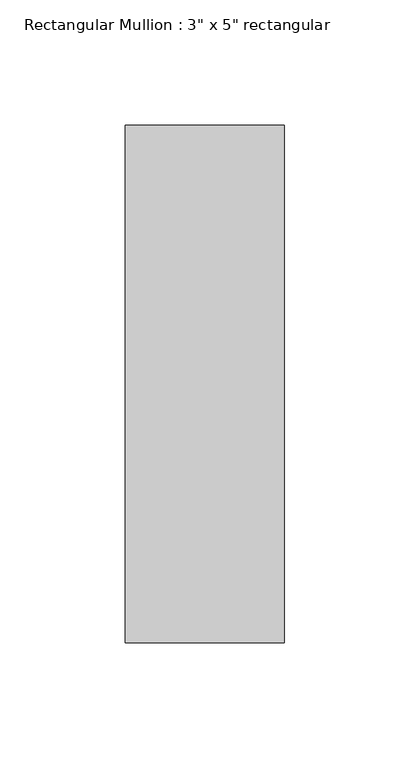
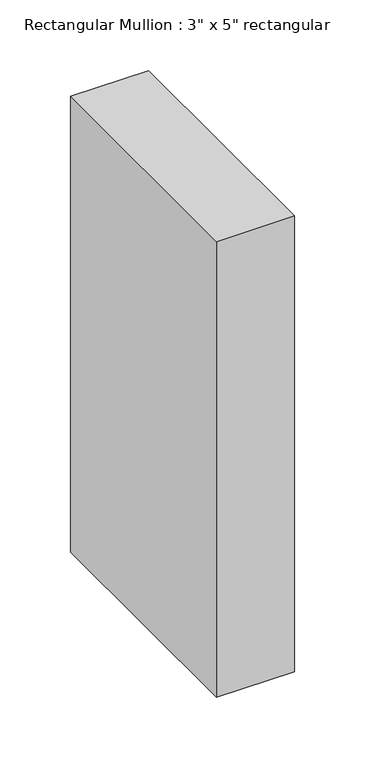
"""IFC4 building model written with IfcOpenShell, lengths in millimetres: member geometry."""

import ifcopenshell
import ifcopenshell.guid

model = None  # the IFC model being written
_history = None  # IfcOwnerHistory: only IFC2X3 demands one
_inside = {}  # id of a spatial element -> (the spatial element, [elements in it])
_under = {}  # id of a project, library or spatial element -> (it, [spatial elements below it])
_declared = {}  # id of a project -> (the project, [libraries it declares])
_typed = {}  # id of a type object -> (the type object, [elements of that type])
_made_of = {}  # id of a material, layer set ... -> (it, [elements and type objects made of it])


def new_model(schema):
    """Start an empty IFC model of exactly this schema.

    Asked for "IFC4X3", IfcOpenShell would pick the latest addendum, in which some entities
    have other attributes; the version numbers below select the first issue.
    IFC2X3 requires an IfcOwnerHistory on every rooted entity: one is made here for all.
    """
    global model, _history
    if schema == "IFC4X3":
        model = ifcopenshell.file(schema_version=(4, 3, 0, 0))
    else:
        model = ifcopenshell.file(schema=schema)
    _inside.clear()
    _under.clear()
    _declared.clear()
    _typed.clear()
    _made_of.clear()
    _history = None
    if model.schema == "IFC2X3":
        org = make("IfcOrganization", Name="unknown")
        user = make(
            "IfcPersonAndOrganization",
            ThePerson=make("IfcPerson", FamilyName="unknown"),
            TheOrganization=org,
        )
        app = make(
            "IfcApplication",
            ApplicationDeveloper=org,
            Version="unknown",
            ApplicationFullName="unknown",
            ApplicationIdentifier="unknown",
        )
        _history = make(
            "IfcOwnerHistory",
            OwningUser=user,
            OwningApplication=app,
            ChangeAction="ADDED",
            CreationDate=0,
        )
    return model


def make(cls, **values):
    """One entity of the class cls with the attributes given. An attribute that is None is left unset."""
    return model.create_entity(
        cls, **{name: value for name, value in values.items() if value is not None}
    )


def rooted(cls, **values):
    """An entity with a GlobalId (a new one), such as an element, a storey or a relation."""
    return make(cls, GlobalId=ifcopenshell.guid.new(), OwnerHistory=_history, **values)


def si_unit(unit_type, name, prefix=None):
    """IfcSIUnit, for example si_unit("LENGTHUNIT", "METRE", prefix="MILLI")."""
    return make("IfcSIUnit", UnitType=unit_type, Prefix=prefix, Name=name)


def assignment(units):
    """IfcUnitAssignment: the units of a project."""
    return None if units is None else make("IfcUnitAssignment", Units=units)


def point(xyz):
    """IfcCartesianPoint."""
    return None if xyz is None else make("IfcCartesianPoint", Coordinates=xyz)


def direction(xyz):
    """IfcDirection."""
    return None if xyz is None else make("IfcDirection", DirectionRatios=xyz)


def frame(location, z_axis=None, x_axis=None):
    """IfcAxis2Placement3D, a coordinate frame: its origin and axes. An axis left out is left unset."""
    return make(
        "IfcAxis2Placement3D",
        Location=point(location),
        Axis=direction(z_axis),
        RefDirection=direction(x_axis),
    )


def origin():
    """The frame at (0, 0, 0) with its axes left unset."""
    return frame((0.0, 0.0, 0.0))


def place(relative_to, where):
    """IfcLocalPlacement: puts the frame where relative to a parent placement (None: the world)."""
    return make(
        "IfcLocalPlacement", PlacementRelTo=relative_to, RelativePlacement=where
    )


def context(
    kind, dimensions, precision=None, world=None, true_north=None, identifier=None
):
    """IfcGeometricRepresentationContext, for example the 3D "Model" context."""
    return make(
        "IfcGeometricRepresentationContext",
        ContextIdentifier=identifier,
        ContextType=kind,
        CoordinateSpaceDimension=dimensions,
        Precision=precision,
        WorldCoordinateSystem=world,
        TrueNorth=true_north,
    )


def project(units=None, contexts=None):
    """IfcProject with its units and contexts."""
    return rooted(
        "IfcProject",
        Name="project",
        RepresentationContexts=contexts,
        UnitsInContext=assignment(units),
    )


def spatial(cls, under=None, at=None, **own):
    """A site, building, storey or space (cls), placed at a placement, below another one or the project."""
    s = rooted(cls, ObjectPlacement=at, **own)
    if under is not None:
        _under.setdefault(under.id(), (under, []))[1].append(s)
    return s


def polyline(points):
    """IfcPolyline through the points."""
    return make("IfcPolyline", Points=[point(p) for p in points])


def outline(outer, holes=None, kind="AREA"):
    """IfcArbitraryClosedProfileDef: a profile drawn as a closed curve; with holes, ...WithVoids."""
    if holes is None:
        return make("IfcArbitraryClosedProfileDef", ProfileType=kind, OuterCurve=outer)
    return make(
        "IfcArbitraryProfileDefWithVoids",
        ProfileType=kind,
        OuterCurve=outer,
        InnerCurves=holes,
    )


def extrude(swept, where, along, depth):
    """IfcExtrudedAreaSolid: the profile swept, set in the frame where, extruded along a direction by depth."""
    return make(
        "IfcExtrudedAreaSolid",
        SweptArea=swept,
        Position=where,
        ExtrudedDirection=direction(along),
        Depth=depth,
    )


def shape(context_of_items, identifier, shape_type, items):
    """IfcShapeRepresentation: the items that make up one representation, for example the "Body"."""
    return make(
        "IfcShapeRepresentation",
        ContextOfItems=context_of_items,
        RepresentationIdentifier=identifier,
        RepresentationType=shape_type,
        Items=items,
    )


def source(mapping_origin, context_of_items, identifier, shape_type, items):
    """IfcRepresentationMap: a shape defined once, which mapped items show again and again."""
    return make(
        "IfcRepresentationMap",
        MappingOrigin=mapping_origin,
        MappedRepresentation=shape(context_of_items, identifier, shape_type, items),
    )


def transform(
    local_origin,
    x_axis=None,
    y_axis=None,
    z_axis=None,
    scale=None,
    scale2=None,
    scale3=None,
    uniform=True,
):
    """IfcCartesianTransformationOperator3D, or its non-uniform kind. x_axis, y_axis, z_axis: its Axis1, 2, 3."""
    if uniform:
        return make(
            "IfcCartesianTransformationOperator3D",
            Axis1=direction(x_axis),
            Axis2=direction(y_axis),
            LocalOrigin=point(local_origin),
            Scale=scale,
            Axis3=direction(z_axis),
        )
    return make(
        "IfcCartesianTransformationOperator3DnonUniform",
        Axis1=direction(x_axis),
        Axis2=direction(y_axis),
        LocalOrigin=point(local_origin),
        Scale=scale,
        Axis3=direction(z_axis),
        Scale2=scale2,
        Scale3=scale3,
    )


def mapped(mapping_source, mapping_target):
    """IfcMappedItem: shows the shape of a source again, moved by a transform."""
    return make(
        "IfcMappedItem", MappingSource=mapping_source, MappingTarget=mapping_target
    )


def made_of(thing, what):
    """Note that an element or type object is made of a material, layer set ...; save() writes the relation."""
    if what is not None:
        _made_of.setdefault(what.id(), (what, []))[1].append(thing)
    return thing


def element(
    cls,
    number,
    at=None,
    inside=None,
    cuts=None,
    type_object=None,
    material=None,
    context=None,
    identifier="Body",
    shape_type=None,
    held_by="IfcProductDefinitionShape",
    body=None,
    shapes=None,
    **own,
):
    """One element of the class cls, such as IfcWall. Its Tag is "e" and its number.

    at: its placement. inside: the storey or other place that contains it. cuts: it is an
    opening in that element (IfcRelVoidsElement). A single representation is given by context,
    identifier, shape_type and body (its items); several are given by shapes. held_by: the class
    of the entity that holds the representations. save() writes the other relations.
    """
    e = rooted(cls, Tag="e%d" % number, ObjectPlacement=at, **own)
    if body is not None:
        shapes = [shape(context, identifier, shape_type, body)]
    if shapes is not None:
        e.Representation = make(held_by, Representations=shapes)
    if inside is not None:
        _inside.setdefault(inside.id(), (inside, []))[1].append(e)
    if cuts is not None:
        rooted(
            "IfcRelVoidsElement", RelatingBuildingElement=cuts, RelatedOpeningElement=e
        )
    if type_object is not None:
        _typed.setdefault(type_object.id(), (type_object, []))[1].append(e)
    return made_of(e, material)


def aggregate(whole, parts):
    """IfcRelAggregates: a whole, such as a stair, and the parts it consists of."""
    return rooted("IfcRelAggregates", RelatingObject=whole, RelatedObjects=parts)


def save(model, path):
    """Write the relations noted so far, then the file.

    IfcRelAggregates (storeys below a building ...), IfcRelContainedInSpatialStructure (elements
    in a storey), IfcRelDefinesByType, IfcRelAssociatesMaterial and IfcRelDeclares: one each for
    every whole, place, type object, material and project.
    """
    for whole, parts in _under.values():
        aggregate(whole, parts)
    for where, things in _inside.values():
        rooted(
            "IfcRelContainedInSpatialStructure",
            RelatedElements=things,
            RelatingStructure=where,
        )
    for kind, things in _typed.values():
        rooted("IfcRelDefinesByType", RelatedObjects=things, RelatingType=kind)
    for what, things in _made_of.values():
        rooted("IfcRelAssociatesMaterial", RelatedObjects=things, RelatingMaterial=what)
    for by, libraries in _declared.values():
        rooted("IfcRelDeclares", RelatingContext=by, RelatedDefinitions=libraries)
    model.write(path)


def member_12eaef66(model_context):
    return source(origin(), model_context, "Body", "SweptSolid", [
        extrude(outline(polyline([(0.0, 90.551), (0.0, -115.951), (-63.5, -115.951), (-63.5, 90.551), (0.0, 90.551)])), frame((0.0, 0.0, -393.2), z_axis=(0.0, 0.0, 1.0), x_axis=(1.0, 0.0, 0.0)), (0.0, 0.0, 1.0), 393.2),
    ])


if __name__ == "__main__":
    model = new_model("IFC4")
    model_context = context("Model", 3, world=origin())
    ifc_project = project(units=[si_unit("LENGTHUNIT", "METRE", prefix="MILLI")], contexts=[model_context])
    site = spatial("IfcSite", under=ifc_project)
    building = spatial("IfcBuilding", under=site)
    placement = place(None, origin())
    member_shape = member_12eaef66(model_context)
    element("IfcMember", 1, ObjectType="Rectangular Mullion : 3\" x 5\" rectangular", at=placement, inside=building, context=model_context, shape_type="MappedRepresentation", body=[
        mapped(member_shape, transform((0.0, 0.0, 0.0), x_axis=(1.0, 0.0, 0.0), y_axis=(0.0, 1.0, 0.0), z_axis=(0.0, 0.0, 1.0))),
    ])
    save(model, "model.ifc")
